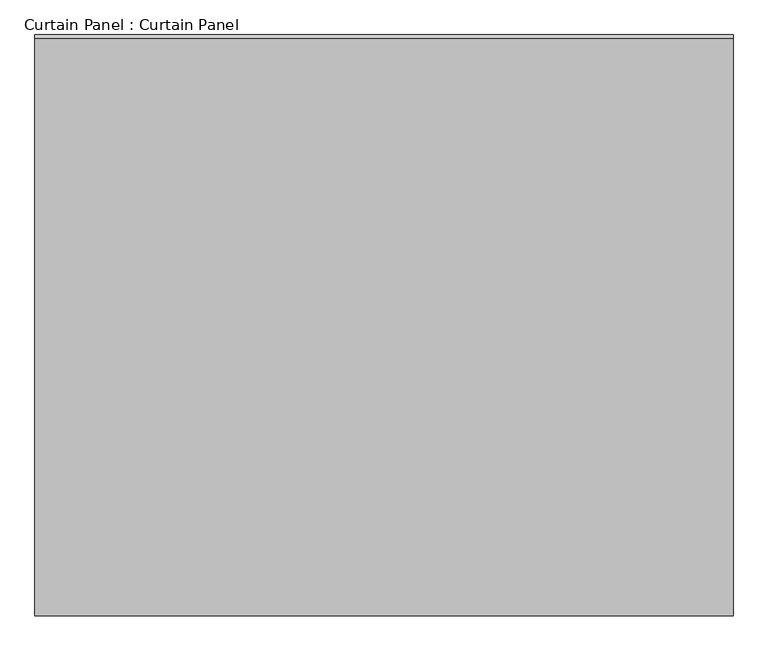
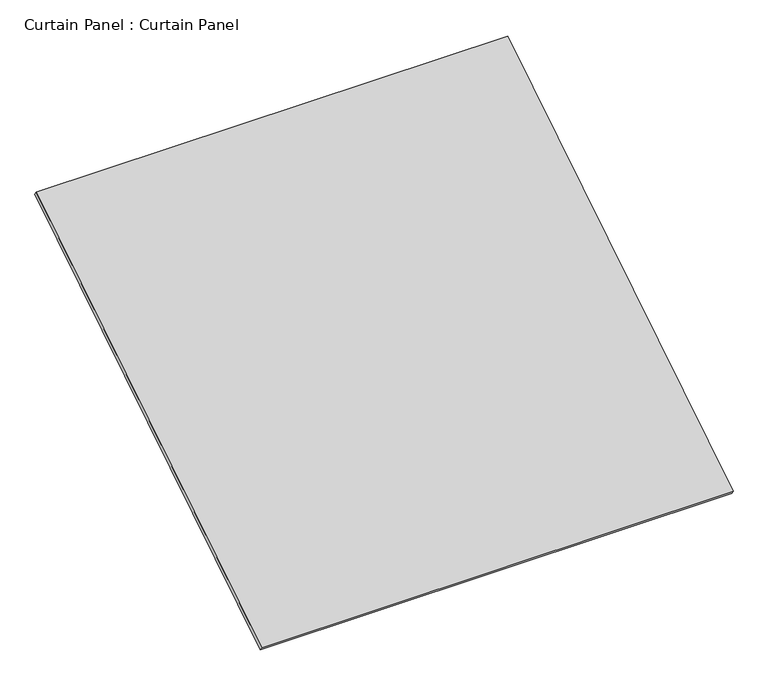
"""IFC4 building model written with IfcOpenShell, lengths in millimetres: plate geometry, Curtain Panel : Curtain Panel."""

from ifc_helpers import new_model, si_unit, frame, origin, place, context, project, spatial, polyline, outline, extrude, source, transform, mapped, element, save


def curtain_panel_curtain_panel_79086adc(model_context):
    return source(origin(), model_context, "Body", "SweptSolid", [
        extrude(outline(polyline([(-63.5, 0.0), (-63.5, -2917.7845875), (-3048.0, -2917.7845875), (-3048.0, 0.0), (-63.5, 0.0)])), frame((-126814.6430895, -9007.3663675, 3990.2628977), z_axis=(0.0, -0.5318918435658209, 0.8468122972348432), x_axis=(-1.0, 0.0, 0.0)), (0.0, 0.0, 1.0), 25.4),
    ])


if __name__ == "__main__":
    model = new_model("IFC4")
    model_context = context("Model", 3, world=origin())
    ifc_project = project(units=[si_unit("LENGTHUNIT", "METRE", prefix="MILLI")], contexts=[model_context])
    site = spatial("IfcSite", under=ifc_project)
    building = spatial("IfcBuilding", under=site)
    placement = place(None, origin())
    curtain_panel_curtain_panel_shape = curtain_panel_curtain_panel_79086adc(model_context)
    element("IfcPlate", 1, ObjectType="Curtain Panel : Curtain Panel", at=placement, inside=building, context=model_context, shape_type="MappedRepresentation", body=[
        mapped(curtain_panel_curtain_panel_shape, transform((0.0, 0.0, 0.0), x_axis=(1.0, 0.0, 0.0), y_axis=(0.0, 1.0, 0.0), z_axis=(0.0, 0.0, 1.0))),
    ])
    save(model, "model.ifc")
